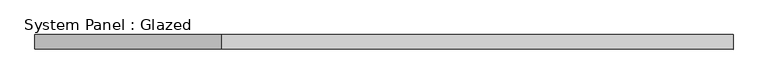
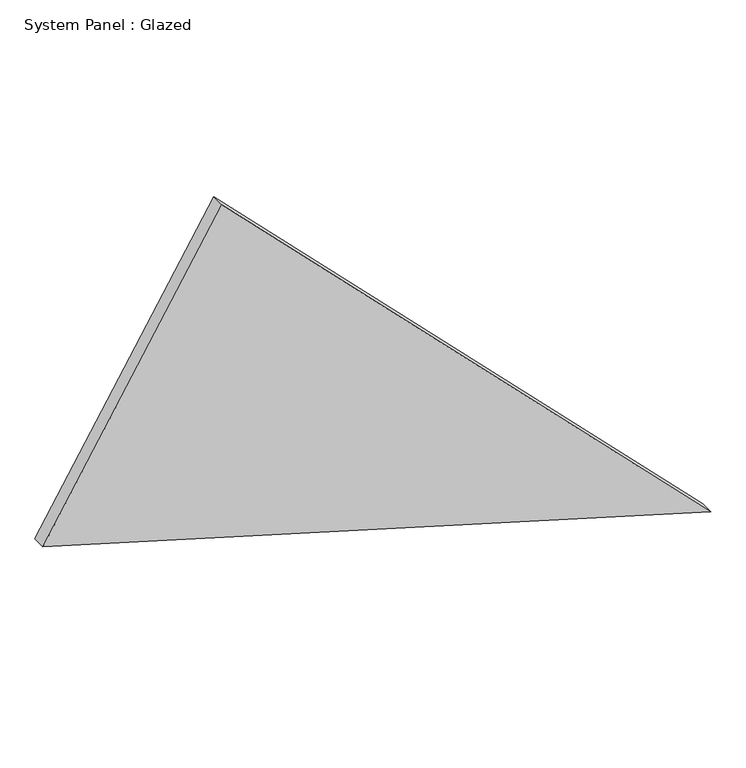
"""IFC4 building model written with IfcOpenShell, lengths in millimetres: plate geometry, System Panel : Glazed."""

from ifc_helpers import new_model, si_unit, frame, origin, place, context, project, spatial, polyline, outline, extrude, source, transform, mapped, element, save


def system_panel_glazed_7fdd02b1(model_context):
    return source(origin(), model_context, "Body", "SweptSolid", [
        extrude(outline(polyline([(428.1695598, -724.959317), (0.0, 724.959317), (1076.5260105, -336.4948582), (428.1695598, -724.959317)])), frame((0.0, -36.8101562, 0.0), z_axis=(0.0, 1.0, 0.0), x_axis=(0.0, 0.0, 1.0)), (0.0, 0.0, 1.0), 30.1625),
    ])


if __name__ == "__main__":
    model = new_model("IFC4")
    model_context = context("Model", 3, world=origin())
    ifc_project = project(units=[si_unit("LENGTHUNIT", "METRE", prefix="MILLI")], contexts=[model_context])
    site = spatial("IfcSite", under=ifc_project)
    building = spatial("IfcBuilding", under=site)
    placement = place(None, origin())
    system_panel_glazed_shape = system_panel_glazed_7fdd02b1(model_context)
    element("IfcPlate", 1, ObjectType="System Panel : Glazed", at=placement, inside=building, context=model_context, shape_type="MappedRepresentation", body=[
        mapped(system_panel_glazed_shape, transform((0.0, 0.0, 0.0), x_axis=(1.0, 0.0, 0.0), y_axis=(0.0, 1.0, 0.0), z_axis=(0.0, 0.0, 1.0))),
    ])
    save(model, "model.ifc")
